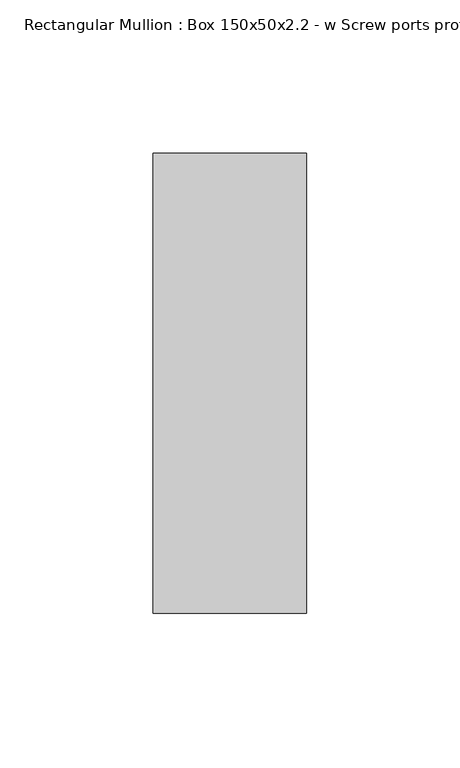
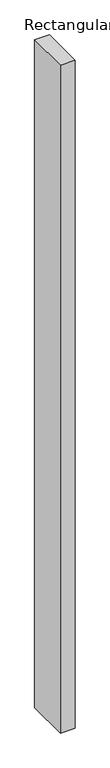
"""IFC4 building model written with IfcOpenShell, lengths in millimetres: member geometry, Rectangular Mullion : Box 150x50x2.2 - w Screw ports profile."""

from ifc_helpers import new_model, si_unit, frame, origin, place, context, project, spatial, polyline, outline, extrude, source, transform, mapped, element, save


def rectangular_mullion_box_150x50x2_2_w_screw_ports_profile_945e9848(model_context):
    return source(origin(), model_context, "Body", "SweptSolid", [
        extrude(outline(polyline([(25.0, 75.0), (25.0, -75.0), (-25.0, -75.0), (-25.0, 75.0), (25.0, 75.0)])), frame((0.0, 0.0, -2378.7033897), z_axis=(0.0, 0.0, 1.0), x_axis=(1.0, 0.0, 0.0)), (0.0, 0.0, 1.0), 2378.7033897),
    ])


if __name__ == "__main__":
    model = new_model("IFC4")
    model_context = context("Model", 3, world=origin())
    ifc_project = project(units=[si_unit("LENGTHUNIT", "METRE", prefix="MILLI")], contexts=[model_context])
    site = spatial("IfcSite", under=ifc_project)
    building = spatial("IfcBuilding", under=site)
    placement = place(None, origin())
    rectangular_mullion_box_150x50x2_2_w_screw_ports_profile_shape = rectangular_mullion_box_150x50x2_2_w_screw_ports_profile_945e9848(model_context)
    element("IfcMember", 1, ObjectType="Rectangular Mullion : Box 150x50x2.2 - w Screw ports profile", at=placement, inside=building, context=model_context, shape_type="MappedRepresentation", body=[
        mapped(rectangular_mullion_box_150x50x2_2_w_screw_ports_profile_shape, transform((0.0, 0.0, 0.0), x_axis=(1.0, 0.0, 0.0), y_axis=(0.0, 1.0, 0.0), z_axis=(0.0, 0.0, 1.0))),
    ])
    save(model, "model.ifc")
